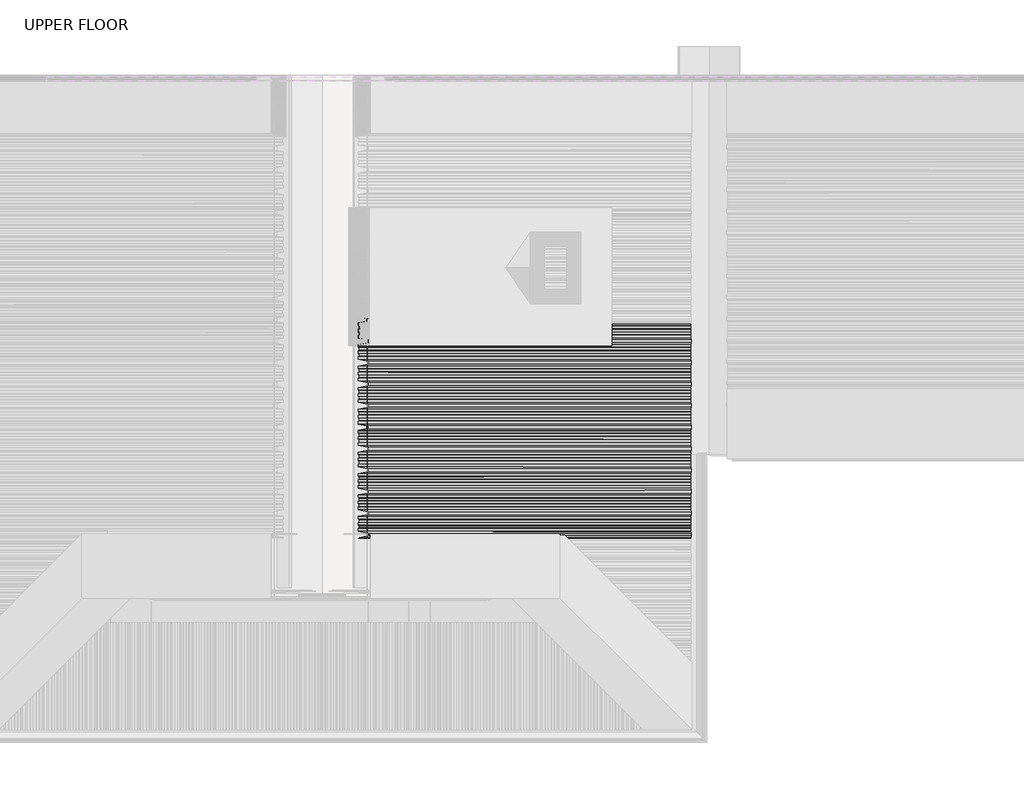
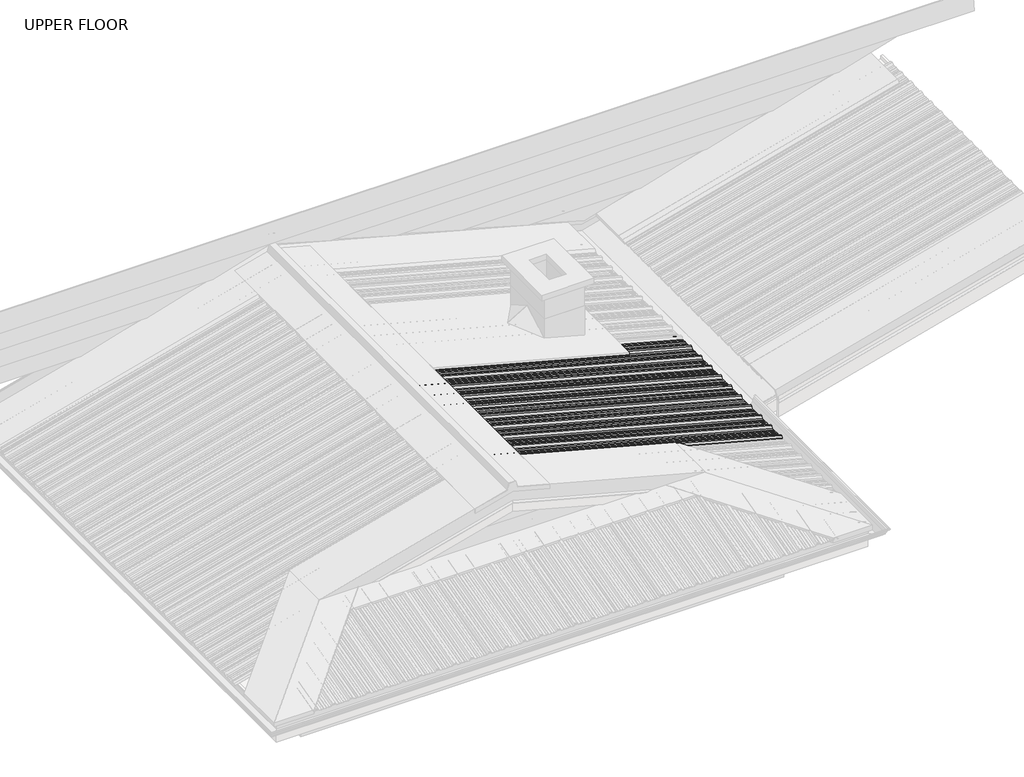
# One storey, part 14 of 18: 2 beams.
"""IFC4 building model written with IfcOpenShell, lengths in millimetres."""

from ifc_helpers import new_model, si_unit, point, frame, frame_2d, origin, place, context, project, spatial, polyline, circle_curve, trimmed, segment, composite_curve, outline, extrude, element, save

model = new_model("IFC4")

# Units and contexts
model_context = context("Model", 3, world=origin())
ifc_project = project(units=[si_unit("LENGTHUNIT", "METRE", prefix="MILLI")], contexts=[model_context])

# Site, building, storey
site = spatial("IfcSite", under=ifc_project)
building = spatial("IfcBuilding", under=site)
storey = spatial("IfcBuildingStorey", under=building, Name="UPPER FLOOR", Elevation=2700.0)

# Beams
placement = place(None, origin())
element("IfcBeam", 1, at=placement, inside=storey, context=model_context, shape_type="SweptSolid", body=[
    extrude(outline(composite_curve([segment(polyline([(0.0, 0.0), (11.400402, 15.2012225), (5.0995681, 36.8005982), (17.2926788, 53.0588133), (20.7188372, 54.2938011), (30.1180478, 66.8266479), (30.3428441, 70.4598196), (41.6063028, 85.4784427), (45.1647706, 86.889851), (55.7285665, 100.9755481), (56.6044301, 105.4768487), (68.9976969, 122.0019508), (88.9973718, 122.0019508), (99.197776, 135.603104), (93.8968801, 153.7746739)]), True, "CONTINUOUS"), segment(trimmed(circle_curve(frame_2d((94.3766346, 153.9146248)), 0.4997507), [point((93.8968801, 153.7746739))], [point((94.8563893, 154.0545759))], False, "CARTESIAN"), True, "CONTINUOUS"), segment(polyline([(94.8563893, 154.0545759), (100.2974146, 135.40264), (89.4977593, 121.0024493), (69.4980844, 121.0024493), (57.542175, 105.060517), (56.6663114, 100.5592164), (45.7955914, 86.0642685), (42.2371236, 84.6528602), (31.3224502, 70.0993052), (31.0976539, 66.4661335), (21.3393648, 53.4544937), (17.9132064, 52.219506), (6.1992066, 36.6001344), (12.5000406, 15.0007586), (0.5003874, -0.9995015), (-21.9992468, -0.9995015), (-32.4552239, -14.9414338), (-33.3310875, -19.4427344), (-44.2018075, -33.9376823), (-47.7602753, -35.3490906), (-58.6749487, -49.9026456), (-58.899745, -53.5358173), (-68.6580342, -66.547457), (-72.0841926, -67.7824448), (-83.7981923, -83.4018164), (-77.4973583, -105.0011921), (-89.4970115, -121.0014522), (-111.9966458, -121.0014522), (-122.4526228, -134.9433846), (-123.3284864, -139.4446852), (-134.1992064, -153.939633), (-137.7576743, -155.3510413), (-148.6723476, -169.9045963), (-148.8971439, -173.537768), (-158.6554331, -186.5494078), (-162.0815915, -187.7843955), (-173.7955912, -203.4037671), (-167.4947572, -225.0031429), (-179.4944104, -241.003403), (-201.9940447, -241.003403), (-212.4500217, -254.9453353), (-213.3258853, -259.4466359), (-224.1966053, -273.9415838), (-227.7550732, -275.3529921), (-238.6697465, -289.9065471), (-238.8945428, -293.5397188), (-248.652832, -306.5513586), (-252.0789904, -307.7863463), (-263.7929901, -323.4057179), (-257.4921561, -345.0050937), (-269.4918093, -361.0053538), (-291.9914436, -361.0053538), (-302.4474207, -374.9472861), (-303.3232843, -379.4485867), (-314.1940043, -393.9435346), (-317.7524721, -395.3549429), (-328.6671454, -409.9084979), (-328.8919418, -413.5416696), (-338.6502309, -426.5533093), (-342.0763893, -427.7882971), (-353.790389, -443.4076687), (-347.4895551, -465.0070444), (-359.4892083, -481.0073045), (-379.4888831, -481.0073045), (-381.3931841, -483.5464873)]), True, "CONTINUOUS"), segment(trimmed(circle_curve(frame_2d((-381.7931906, -483.2464959)), 0.5), [point((-381.3931841, -483.5464873))], [point((-382.1931971, -482.9465046))], False, "CARTESIAN"), True, "CONTINUOUS"), segment(polyline([(-382.1931971, -482.9465046), (-379.9892705, -480.0078031), (-359.9895957, -480.0078031), (-348.5891936, -464.8065806), (-354.8900276, -443.2072048), (-342.6969169, -426.9489897), (-339.2707585, -425.714002), (-329.8715479, -413.1811552), (-329.6467516, -409.5479835), (-318.3832929, -394.5293604), (-314.824825, -393.1179521), (-304.2610292, -379.032255), (-303.3851656, -374.5309543), (-292.491831, -360.0058523), (-269.9921968, -360.0058523), (-258.5917947, -344.8046298), (-264.8926287, -323.2052541), (-252.699518, -306.947039), (-249.2733596, -305.7120512), (-239.8741489, -293.1792044), (-239.6493526, -289.5460327), (-228.3858939, -274.5274096), (-224.8274261, -273.1160013), (-214.2636303, -259.0303042), (-213.3877667, -254.5290036), (-202.4944321, -240.0039015), (-179.9947978, -240.0039015), (-168.5943958, -224.8026791), (-174.8952298, -203.2033033), (-162.7021191, -186.9450882), (-159.2759607, -185.7101004), (-149.87675, -173.1772537), (-149.6519537, -169.544082), (-138.388495, -154.5254589), (-134.8300272, -153.1140506), (-124.2662314, -139.0283534), (-123.3903678, -134.5270528), (-112.4970332, -120.0019508), (-89.9973989, -120.0019508), (-78.5969969, -104.8007283), (-84.8978308, -83.2013525), (-72.7047201, -66.9431374), (-69.2785617, -65.7081497), (-59.8793511, -53.1753029), (-59.6545548, -49.5421312), (-48.3910961, -34.5235081), (-44.8326283, -33.1120998), (-34.2688325, -19.0264027), (-33.3929689, -14.525102), (-22.4996343, 0.0), (0.0, 0.0)]), True, "CONTINUOUS")], self_intersect=False)), frame((4590.0997528, -2704.5166428, 3293.6450828), z_axis=(-0.9659258262890684, 0.0, 0.25881904510252085), x_axis=(0.20705860205458657, 0.5999826594493581, 0.7727532230118979)), (0.0, 0.0, 1.0), 2590.2025973),
])
element("IfcBeam", 2, at=placement, inside=storey, context=model_context, shape_type="SweptSolid", body=[
    extrude(outline(composite_curve([segment(polyline([(0.0, 0.0), (11.400402, 15.2012225), (5.0995681, 36.8005982), (17.2926788, 53.0588133), (20.7188372, 54.2938011), (30.1180478, 66.8266479), (30.3428441, 70.4598196), (41.6063028, 85.4784427), (45.1647706, 86.889851), (55.7285665, 100.9755481), (56.6044301, 105.4768487), (68.9976969, 122.0019508), (88.9973718, 122.0019508), (99.197776, 135.603104), (93.8968801, 153.7746739)]), True, "CONTINUOUS"), segment(trimmed(circle_curve(frame_2d((94.3766346, 153.9146248)), 0.4997507), [point((93.8968801, 153.7746739))], [point((94.8563893, 154.0545759))], False, "CARTESIAN"), True, "CONTINUOUS"), segment(polyline([(94.8563893, 154.0545759), (100.2974146, 135.40264), (89.4977593, 121.0024493), (69.4980844, 121.0024493), (57.542175, 105.060517), (56.6663114, 100.5592164), (45.7955914, 86.0642685), (42.2371236, 84.6528602), (31.3224502, 70.0993052), (31.0976539, 66.4661335), (21.3393648, 53.4544937), (17.9132064, 52.219506), (6.1992066, 36.6001344), (12.5000406, 15.0007586), (0.5003874, -0.9995015), (-21.9992468, -0.9995015), (-32.4552239, -14.9414338), (-33.3310875, -19.4427344), (-44.2018075, -33.9376823), (-47.7602753, -35.3490906), (-58.6749487, -49.9026456), (-58.899745, -53.5358173), (-68.6580342, -66.547457), (-72.0841926, -67.7824448), (-83.7981923, -83.4018164), (-77.4973583, -105.0011921), (-89.4970115, -121.0014522), (-111.9966458, -121.0014522), (-122.4526228, -134.9433846), (-123.3284864, -139.4446852), (-134.1992064, -153.939633), (-137.7576743, -155.3510413), (-148.6723476, -169.9045963), (-148.8971439, -173.537768), (-158.6554331, -186.5494078), (-162.0815915, -187.7843955), (-173.7955912, -203.4037671), (-167.4947572, -225.0031429), (-179.4944104, -241.003403), (-201.9940447, -241.003403), (-212.4500217, -254.9453353), (-213.3258853, -259.4466359), (-224.1966053, -273.9415838), (-227.7550732, -275.3529921), (-238.6697465, -289.9065471), (-238.8945428, -293.5397188), (-248.652832, -306.5513586), (-252.0789904, -307.7863463), (-263.7929901, -323.4057179), (-257.4921561, -345.0050937), (-269.4918093, -361.0053538), (-291.9914436, -361.0053538), (-302.4474207, -374.9472861), (-303.3232843, -379.4485867), (-314.1940043, -393.9435346), (-317.7524721, -395.3549429), (-328.6671454, -409.9084979), (-328.8919418, -413.5416696), (-338.6502309, -426.5533093), (-342.0763893, -427.7882971), (-353.790389, -443.4076687), (-347.4895551, -465.0070444), (-359.4892083, -481.0073045), (-379.4888831, -481.0073045), (-381.3931841, -483.5464873)]), True, "CONTINUOUS"), segment(trimmed(circle_curve(frame_2d((-381.7931906, -483.2464959)), 0.5), [point((-381.3931841, -483.5464873))], [point((-382.1931971, -482.9465046))], False, "CARTESIAN"), True, "CONTINUOUS"), segment(polyline([(-382.1931971, -482.9465046), (-379.9892705, -480.0078031), (-359.9895957, -480.0078031), (-348.5891936, -464.8065806), (-354.8900276, -443.2072048), (-342.6969169, -426.9489897), (-339.2707585, -425.714002), (-329.8715479, -413.1811552), (-329.6467516, -409.5479835), (-318.3832929, -394.5293604), (-314.824825, -393.1179521), (-304.2610292, -379.032255), (-303.3851656, -374.5309543), (-292.491831, -360.0058523), (-269.9921968, -360.0058523), (-258.5917947, -344.8046298), (-264.8926287, -323.2052541), (-252.699518, -306.947039), (-249.2733596, -305.7120512), (-239.8741489, -293.1792044), (-239.6493526, -289.5460327), (-228.3858939, -274.5274096), (-224.8274261, -273.1160013), (-214.2636303, -259.0303042), (-213.3877667, -254.5290036), (-202.4944321, -240.0039015), (-179.9947978, -240.0039015), (-168.5943958, -224.8026791), (-174.8952298, -203.2033033), (-162.7021191, -186.9450882), (-159.2759607, -185.7101004), (-149.87675, -173.1772537), (-149.6519537, -169.544082), (-138.388495, -154.5254589), (-134.8300272, -153.1140506), (-124.2662314, -139.0283534), (-123.3903678, -134.5270528), (-112.4970332, -120.0019508), (-89.9973989, -120.0019508), (-78.5969969, -104.8007283), (-84.8978308, -83.2013525), (-72.7047201, -66.9431374), (-69.2785617, -65.7081497), (-59.8793511, -53.1753029), (-59.6545548, -49.5421312), (-48.3910961, -34.5235081), (-44.8326283, -33.1120998), (-34.2688325, -19.0264027), (-33.3929689, -14.525102), (-22.4996343, 0.0), (0.0, 0.0)]), True, "CONTINUOUS")], self_intersect=False)), frame((4590.0997528, -1954.5166428, 3293.6450828), z_axis=(-0.9659258262890682, 0.0, 0.2588190451025208), x_axis=(0.2070586020545865, 0.5999826594493581, 0.7727532230118979)), (0.0, 0.0, 1.0), 2590.2025973),
])

save(model, "model.ifc")
